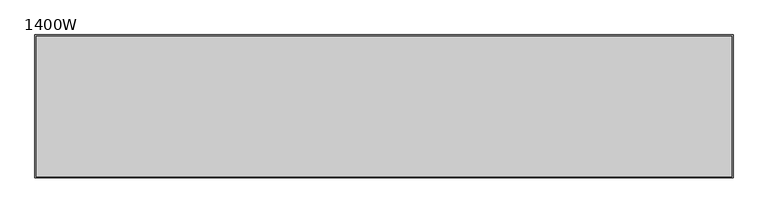
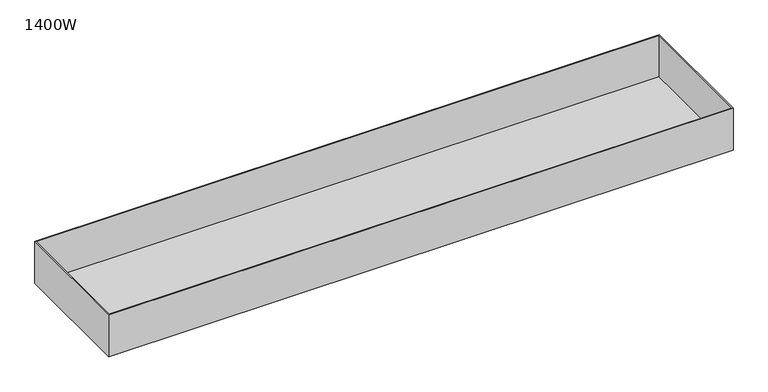
"""IFC4 building model written with IfcOpenShell, lengths in millimetres: furniture geometry, 1400W."""

import ifcopenshell
import ifcopenshell.guid

model = None  # the IFC model being written
_history = None  # IfcOwnerHistory: only IFC2X3 demands one
_inside = {}  # id of a spatial element -> (the spatial element, [elements in it])
_under = {}  # id of a project, library or spatial element -> (it, [spatial elements below it])
_declared = {}  # id of a project -> (the project, [libraries it declares])
_typed = {}  # id of a type object -> (the type object, [elements of that type])
_made_of = {}  # id of a material, layer set ... -> (it, [elements and type objects made of it])


def new_model(schema):
    """Start an empty IFC model of exactly this schema.

    Asked for "IFC4X3", IfcOpenShell would pick the latest addendum, in which some entities
    have other attributes; the version numbers below select the first issue.
    IFC2X3 requires an IfcOwnerHistory on every rooted entity: one is made here for all.
    """
    global model, _history
    if schema == "IFC4X3":
        model = ifcopenshell.file(schema_version=(4, 3, 0, 0))
    else:
        model = ifcopenshell.file(schema=schema)
    _inside.clear()
    _under.clear()
    _declared.clear()
    _typed.clear()
    _made_of.clear()
    _history = None
    if model.schema == "IFC2X3":
        org = make("IfcOrganization", Name="unknown")
        user = make(
            "IfcPersonAndOrganization",
            ThePerson=make("IfcPerson", FamilyName="unknown"),
            TheOrganization=org,
        )
        app = make(
            "IfcApplication",
            ApplicationDeveloper=org,
            Version="unknown",
            ApplicationFullName="unknown",
            ApplicationIdentifier="unknown",
        )
        _history = make(
            "IfcOwnerHistory",
            OwningUser=user,
            OwningApplication=app,
            ChangeAction="ADDED",
            CreationDate=0,
        )
    return model


def make(cls, **values):
    """One entity of the class cls with the attributes given. An attribute that is None is left unset."""
    return model.create_entity(
        cls, **{name: value for name, value in values.items() if value is not None}
    )


def rooted(cls, **values):
    """An entity with a GlobalId (a new one), such as an element, a storey or a relation."""
    return make(cls, GlobalId=ifcopenshell.guid.new(), OwnerHistory=_history, **values)


def si_unit(unit_type, name, prefix=None):
    """IfcSIUnit, for example si_unit("LENGTHUNIT", "METRE", prefix="MILLI")."""
    return make("IfcSIUnit", UnitType=unit_type, Prefix=prefix, Name=name)


def assignment(units):
    """IfcUnitAssignment: the units of a project."""
    return None if units is None else make("IfcUnitAssignment", Units=units)


def point(xyz):
    """IfcCartesianPoint."""
    return None if xyz is None else make("IfcCartesianPoint", Coordinates=xyz)


def direction(xyz):
    """IfcDirection."""
    return None if xyz is None else make("IfcDirection", DirectionRatios=xyz)


def frame(location, z_axis=None, x_axis=None):
    """IfcAxis2Placement3D, a coordinate frame: its origin and axes. An axis left out is left unset."""
    return make(
        "IfcAxis2Placement3D",
        Location=point(location),
        Axis=direction(z_axis),
        RefDirection=direction(x_axis),
    )


def origin():
    """The frame at (0, 0, 0) with its axes left unset."""
    return frame((0.0, 0.0, 0.0))


def place(relative_to, where):
    """IfcLocalPlacement: puts the frame where relative to a parent placement (None: the world)."""
    return make(
        "IfcLocalPlacement", PlacementRelTo=relative_to, RelativePlacement=where
    )


def context(
    kind, dimensions, precision=None, world=None, true_north=None, identifier=None
):
    """IfcGeometricRepresentationContext, for example the 3D "Model" context."""
    return make(
        "IfcGeometricRepresentationContext",
        ContextIdentifier=identifier,
        ContextType=kind,
        CoordinateSpaceDimension=dimensions,
        Precision=precision,
        WorldCoordinateSystem=world,
        TrueNorth=true_north,
    )


def project(units=None, contexts=None):
    """IfcProject with its units and contexts."""
    return rooted(
        "IfcProject",
        Name="project",
        RepresentationContexts=contexts,
        UnitsInContext=assignment(units),
    )


def spatial(cls, under=None, at=None, **own):
    """A site, building, storey or space (cls), placed at a placement, below another one or the project."""
    s = rooted(cls, ObjectPlacement=at, **own)
    if under is not None:
        _under.setdefault(under.id(), (under, []))[1].append(s)
    return s


def faces_of(points, faces, orient=None, outer=None):
    """IfcFace entities. A face is a list of loops; a loop is a list of indices into points, from 0.

    orient and outer hold one flag for each loop. By default every Orientation is true, the
    first loop of a face is its IfcFaceOuterBound and the others are IfcFaceBound.
    """
    made = []
    for i, loops in enumerate(faces):
        bounds = []
        for j, loop in enumerate(loops):
            is_outer = j == 0 if outer is None else outer[i][j]
            bounds.append(
                make(
                    "IfcFaceOuterBound" if is_outer else "IfcFaceBound",
                    Bound=make("IfcPolyLoop", Polygon=[points[k] for k in loop]),
                    Orientation=True if orient is None else orient[i][j],
                )
            )
        made.append(make("IfcFace", Bounds=bounds))
    return made


def faceted_brep(points, faces, orient=None, outer=None, voids=None):
    """IfcFacetedBrep: a solid bounded by flat faces; with voids (closed shells), ...WithVoids."""
    shared = [point(p) for p in points]
    hull = make("IfcClosedShell", CfsFaces=faces_of(shared, faces, orient, outer))
    if voids is None:
        return make("IfcFacetedBrep", Outer=hull)
    return make(
        "IfcFacetedBrepWithVoids",
        Outer=hull,
        Voids=[
            make(cls, CfsFaces=faces_of(shared, fs, o, b)) for cls, fs, o, b in voids
        ],
    )


def shape(context_of_items, identifier, shape_type, items):
    """IfcShapeRepresentation: the items that make up one representation, for example the "Body"."""
    return make(
        "IfcShapeRepresentation",
        ContextOfItems=context_of_items,
        RepresentationIdentifier=identifier,
        RepresentationType=shape_type,
        Items=items,
    )


def source(mapping_origin, context_of_items, identifier, shape_type, items):
    """IfcRepresentationMap: a shape defined once, which mapped items show again and again."""
    return make(
        "IfcRepresentationMap",
        MappingOrigin=mapping_origin,
        MappedRepresentation=shape(context_of_items, identifier, shape_type, items),
    )


def transform(
    local_origin,
    x_axis=None,
    y_axis=None,
    z_axis=None,
    scale=None,
    scale2=None,
    scale3=None,
    uniform=True,
):
    """IfcCartesianTransformationOperator3D, or its non-uniform kind. x_axis, y_axis, z_axis: its Axis1, 2, 3."""
    if uniform:
        return make(
            "IfcCartesianTransformationOperator3D",
            Axis1=direction(x_axis),
            Axis2=direction(y_axis),
            LocalOrigin=point(local_origin),
            Scale=scale,
            Axis3=direction(z_axis),
        )
    return make(
        "IfcCartesianTransformationOperator3DnonUniform",
        Axis1=direction(x_axis),
        Axis2=direction(y_axis),
        LocalOrigin=point(local_origin),
        Scale=scale,
        Axis3=direction(z_axis),
        Scale2=scale2,
        Scale3=scale3,
    )


def mapped(mapping_source, mapping_target):
    """IfcMappedItem: shows the shape of a source again, moved by a transform."""
    return make(
        "IfcMappedItem", MappingSource=mapping_source, MappingTarget=mapping_target
    )


def made_of(thing, what):
    """Note that an element or type object is made of a material, layer set ...; save() writes the relation."""
    if what is not None:
        _made_of.setdefault(what.id(), (what, []))[1].append(thing)
    return thing


def element(
    cls,
    number,
    at=None,
    inside=None,
    cuts=None,
    type_object=None,
    material=None,
    context=None,
    identifier="Body",
    shape_type=None,
    held_by="IfcProductDefinitionShape",
    body=None,
    shapes=None,
    **own,
):
    """One element of the class cls, such as IfcWall. Its Tag is "e" and its number.

    at: its placement. inside: the storey or other place that contains it. cuts: it is an
    opening in that element (IfcRelVoidsElement). A single representation is given by context,
    identifier, shape_type and body (its items); several are given by shapes. held_by: the class
    of the entity that holds the representations. save() writes the other relations.
    """
    e = rooted(cls, Tag="e%d" % number, ObjectPlacement=at, **own)
    if body is not None:
        shapes = [shape(context, identifier, shape_type, body)]
    if shapes is not None:
        e.Representation = make(held_by, Representations=shapes)
    if inside is not None:
        _inside.setdefault(inside.id(), (inside, []))[1].append(e)
    if cuts is not None:
        rooted(
            "IfcRelVoidsElement", RelatingBuildingElement=cuts, RelatedOpeningElement=e
        )
    if type_object is not None:
        _typed.setdefault(type_object.id(), (type_object, []))[1].append(e)
    return made_of(e, material)


def aggregate(whole, parts):
    """IfcRelAggregates: a whole, such as a stair, and the parts it consists of."""
    return rooted("IfcRelAggregates", RelatingObject=whole, RelatedObjects=parts)


def save(model, path):
    """Write the relations noted so far, then the file.

    IfcRelAggregates (storeys below a building ...), IfcRelContainedInSpatialStructure (elements
    in a storey), IfcRelDefinesByType, IfcRelAssociatesMaterial and IfcRelDeclares: one each for
    every whole, place, type object, material and project.
    """
    for whole, parts in _under.values():
        aggregate(whole, parts)
    for where, things in _inside.values():
        rooted(
            "IfcRelContainedInSpatialStructure",
            RelatedElements=things,
            RelatingStructure=where,
        )
    for kind, things in _typed.values():
        rooted("IfcRelDefinesByType", RelatedObjects=things, RelatingType=kind)
    for what, things in _made_of.values():
        rooted("IfcRelAssociatesMaterial", RelatedObjects=things, RelatingMaterial=what)
    for by, libraries in _declared.values():
        rooted("IfcRelDeclares", RelatingContext=by, RelatedDefinitions=libraries)
    model.write(path)


def furniture_1400w_62b21639(model_context):
    return source(origin(), model_context, "Body", "Brep", [
        faceted_brep([(-610.0, -125.0, 435.0), (-610.0, -125.0, 522.0), (-610.0, 125.0, 522.0), (-610.0, 125.0, 435.0), (610.0, -125.0, 435.0), (610.0, 125.0, 435.0), (610.0, 125.0, 522.0), (610.0, -125.0, 522.0), (-608.0, 123.0, 522.0), (608.0, 123.0, 522.0), (608.0, -123.0, 522.0), (-608.0, -123.0, 522.0), (608.0, 123.0, 437.0), (-608.0, 123.0, 437.0), (-608.0, -123.0, 437.0), (608.0, -123.0, 437.0)], [[[0, 1, 2, 3]], [[4, 5, 6, 7]], [[1, 0, 4, 7]], [[2, 1, 7, 6], [8, 9, 10, 11]], [[3, 2, 6, 5]], [[0, 3, 5, 4]], [[12, 13, 14, 15]], [[13, 12, 9, 8]], [[14, 13, 8, 11]], [[15, 14, 11, 10]], [[12, 15, 10, 9]]]),
    ])


if __name__ == "__main__":
    model = new_model("IFC4")
    model_context = context("Model", 3, world=origin())
    ifc_project = project(units=[si_unit("LENGTHUNIT", "METRE", prefix="MILLI")], contexts=[model_context])
    site = spatial("IfcSite", under=ifc_project)
    building = spatial("IfcBuilding", under=site)
    placement = place(None, origin())
    furniture_1400w_shape = furniture_1400w_62b21639(model_context)
    element("IfcFurniture", 1, ObjectType="1400W", at=placement, inside=building, context=model_context, shape_type="MappedRepresentation", body=[
        mapped(furniture_1400w_shape, transform((0.0, 0.0, 0.0), x_axis=(1.0, 0.0, 0.0), y_axis=(0.0, 1.0, 0.0), z_axis=(0.0, 0.0, 1.0))),
    ])
    save(model, "model.ifc")
